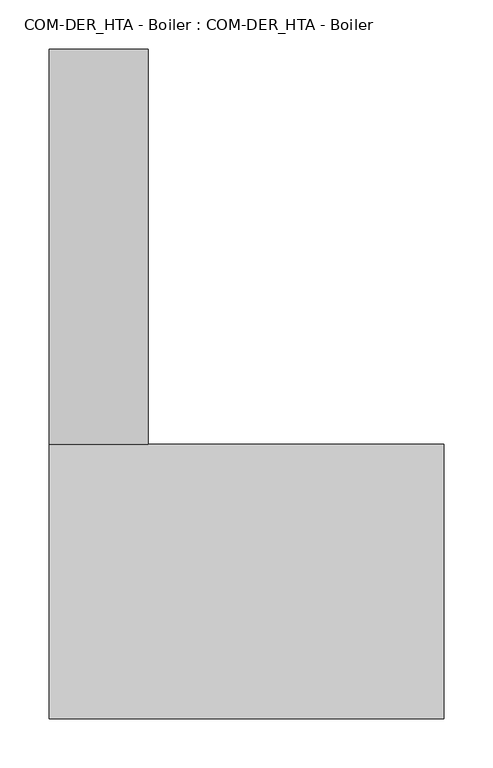
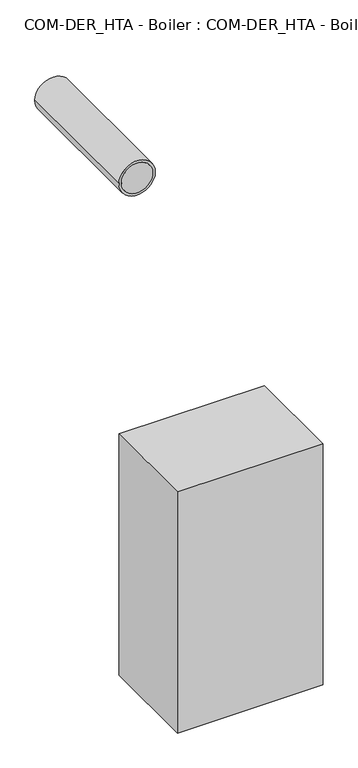
"""IFC4 building model written with IfcOpenShell, lengths in millimetres: proxy geometry, COM-DER_HTA - Boiler : COM-DER_HTA - Boiler."""

from ifc_helpers import new_model, si_unit, point, frame, frame_2d, origin, place, context, project, spatial, polyline, circle_curve, trimmed, segment, composite_curve, outline, extrude, source, transform, mapped, element, save


def com_der_hta_boiler_com_der_hta_boiler_aead0119(model_context):
    return source(origin(), model_context, "Body", "SweptSolid", [
        extrude(outline(polyline([(200.0, 278.0), (200.0, 0.0), (-200.0, 0.0), (-200.0, 278.0), (200.0, 278.0)])), frame((0.0, 0.0, 1100.0), z_axis=(0.0, 0.0, 1.0), x_axis=(1.0, 0.0, 0.0)), (0.0, 0.0, 1.0), 700.0),
        extrude(outline(composite_curve([segment(trimmed(circle_curve(frame_2d((2525.0, -150.0)), 43.0), [point((2525.0, -193.0))], [point((2525.0, -107.0))], False, "CARTESIAN"), True, "CONTINUOUS"), segment(trimmed(circle_curve(frame_2d((2525.0, -150.0)), 43.0), [point((2525.0, -107.0))], [point((2525.0, -193.0))], False, "CARTESIAN"), True, "CONTINUOUS")], self_intersect=False)), frame((0.0, 278.0, 0.0), z_axis=(0.0, 1.0, 0.0), x_axis=(0.0, 0.0, 1.0)), (0.0, 0.0, 1.0), 400.0),
        extrude(outline(composite_curve([segment(trimmed(circle_curve(frame_2d((2525.0, -150.0)), 50.0), [point((2525.0, -200.0))], [point((2525.0, -100.0))], False, "CARTESIAN"), True, "CONTINUOUS"), segment(trimmed(circle_curve(frame_2d((2525.0, -150.0)), 50.0), [point((2525.0, -100.0))], [point((2525.0, -200.0))], False, "CARTESIAN"), True, "CONTINUOUS")], self_intersect=False)), frame((0.0, 278.0, 0.0), z_axis=(0.0, 1.0, 0.0), x_axis=(0.0, 0.0, 1.0)), (0.0, 0.0, 1.0), 400.0),
    ])


if __name__ == "__main__":
    model = new_model("IFC4")
    model_context = context("Model", 3, world=origin())
    ifc_project = project(units=[si_unit("LENGTHUNIT", "METRE", prefix="MILLI")], contexts=[model_context])
    site = spatial("IfcSite", under=ifc_project)
    building = spatial("IfcBuilding", under=site)
    placement = place(None, origin())
    com_der_hta_boiler_com_der_hta_boiler_shape = com_der_hta_boiler_com_der_hta_boiler_aead0119(model_context)
    element("IfcBuildingElementProxy", 1, Name="COM-DER_HTA - Boiler : COM-DER_HTA - Boiler", ObjectType="COM-DER_HTA - Boiler : COM-DER_HTA - Boiler", at=placement, inside=building, context=model_context, shape_type="MappedRepresentation", body=[
        mapped(com_der_hta_boiler_com_der_hta_boiler_shape, transform((0.0, 0.0, 0.0), x_axis=(1.0, 0.0, 0.0), y_axis=(0.0, 1.0, 0.0), z_axis=(0.0, 0.0, 1.0))),
    ])
    save(model, "model.ifc")
